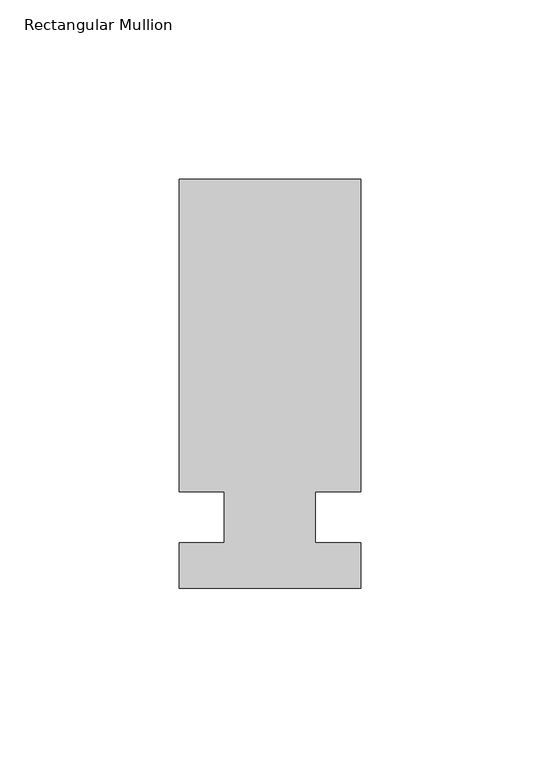
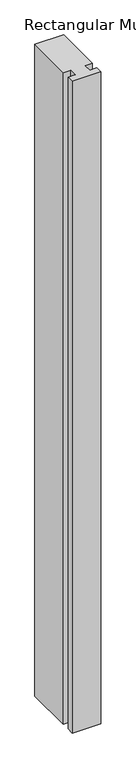
"""IFC4 building model written with IfcOpenShell, lengths in millimetres: member geometry, Rectangular Mullion."""

from ifc_helpers import new_model, si_unit, frame, origin, place, context, project, spatial, polyline, outline, extrude, source, transform, mapped, element, save


def rectangular_mullion_1d15905c(model_context):
    return source(origin(), model_context, "Body", "SweptSolid", [
        extrude(outline(polyline([(29.7344027, 94.45625), (29.7344027, 7.14375), (17.0326322, 7.14375), (17.0326322, -7.14375), (29.7344027, -7.14375), (29.7344027, -19.84375), (-21.0655973, -19.84375), (-21.0655973, -7.14375), (-8.3655973, -7.14375), (-8.3655973, 7.14375), (-21.0655973, 7.14375), (-21.0655973, 94.45625), (29.7344027, 94.45625)])), frame((0.0, 0.0, -1219.2), z_axis=(0.0, 0.0, 1.0), x_axis=(1.0, 0.0, 0.0)), (0.0, 0.0, 1.0), 1219.2),
    ])


if __name__ == "__main__":
    model = new_model("IFC4")
    model_context = context("Model", 3, world=origin())
    ifc_project = project(units=[si_unit("LENGTHUNIT", "METRE", prefix="MILLI")], contexts=[model_context])
    site = spatial("IfcSite", under=ifc_project)
    building = spatial("IfcBuilding", under=site)
    placement = place(None, origin())
    rectangular_mullion_shape = rectangular_mullion_1d15905c(model_context)
    element("IfcMember", 1, ObjectType="Rectangular Mullion", at=placement, inside=building, context=model_context, shape_type="MappedRepresentation", body=[
        mapped(rectangular_mullion_shape, transform((0.0, 0.0, 0.0), x_axis=(1.0, 0.0, 0.0), y_axis=(0.0, 1.0, 0.0), z_axis=(0.0, 0.0, 1.0))),
    ])
    save(model, "model.ifc")
